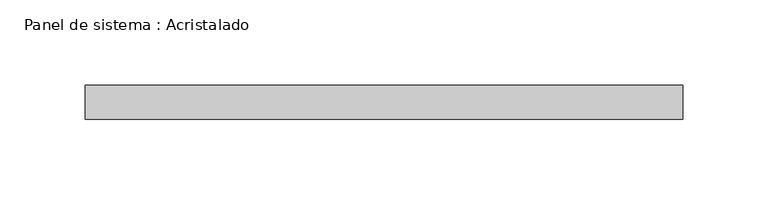
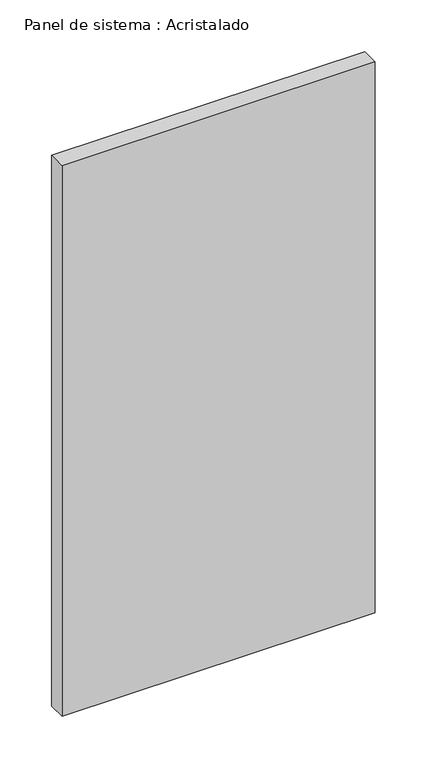
"""IFC4 building model written with IfcOpenShell, lengths in millimetres: plate geometry, Panel de sistema : Acristalado."""

from ifc_helpers import new_model, si_unit, origin, origin_with_axes, place, context, project, spatial, polyline, outline, extrude, source, transform, mapped, element, save


def panel_de_sistema_acristalado_68617549(model_context):
    return source(origin(), model_context, "Body", "SweptSolid", [
        extrude(outline(polyline([(175.0, -10.0), (-175.0, -10.0), (-175.0, 10.0), (175.0, 10.0), (175.0, -10.0)])), origin_with_axes(), (0.0, 0.0, 1.0), 650.0),
    ])


if __name__ == "__main__":
    model = new_model("IFC4")
    model_context = context("Model", 3, world=origin())
    ifc_project = project(units=[si_unit("LENGTHUNIT", "METRE", prefix="MILLI")], contexts=[model_context])
    site = spatial("IfcSite", under=ifc_project)
    building = spatial("IfcBuilding", under=site)
    placement = place(None, origin())
    panel_de_sistema_acristalado_shape = panel_de_sistema_acristalado_68617549(model_context)
    element("IfcPlate", 1, ObjectType="Panel de sistema : Acristalado", at=placement, inside=building, context=model_context, shape_type="MappedRepresentation", body=[
        mapped(panel_de_sistema_acristalado_shape, transform((0.0, 0.0, 0.0), x_axis=(1.0, 0.0, 0.0), y_axis=(0.0, 1.0, 0.0), z_axis=(0.0, 0.0, 1.0))),
    ])
    save(model, "model.ifc")
